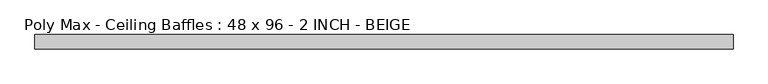
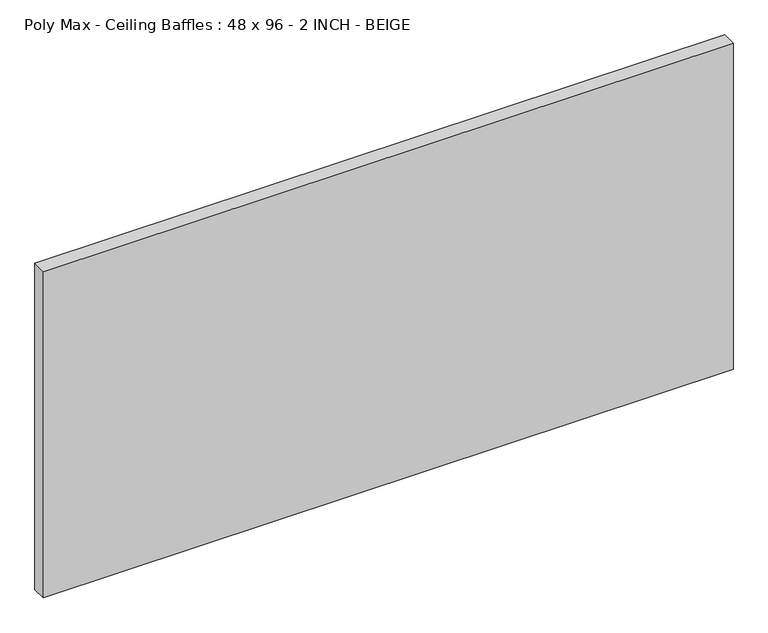
"""IFC4 building model written with IfcOpenShell, lengths in millimetres: proxy geometry, Poly Max - Ceiling Baffles : 48 x 96 - 2 INCH - BEIGE."""

from ifc_helpers import new_model, si_unit, origin, origin_with_axes, place, context, project, spatial, polyline, outline, extrude, source, transform, mapped, element, save


def poly_max_ceiling_baffles_48_x_96_2_inch_beige_1d8b9ca3(model_context):
    return source(origin(), model_context, "Body", "SweptSolid", [
        extrude(outline(polyline([(1219.2, -50.8), (-1219.2, -50.8), (-1219.2, 0.0), (1219.2, 0.0), (1219.2, -50.8)])), origin_with_axes(), (0.0, 0.0, 1.0), 1219.2),
    ])


if __name__ == "__main__":
    model = new_model("IFC4")
    model_context = context("Model", 3, world=origin())
    ifc_project = project(units=[si_unit("LENGTHUNIT", "METRE", prefix="MILLI")], contexts=[model_context])
    site = spatial("IfcSite", under=ifc_project)
    building = spatial("IfcBuilding", under=site)
    placement = place(None, origin())
    poly_max_ceiling_baffles_48_x_96_2_inch_beige_shape = poly_max_ceiling_baffles_48_x_96_2_inch_beige_1d8b9ca3(model_context)
    element("IfcBuildingElementProxy", 1, Name="Poly Max - Ceiling Baffles : 48 x 96 - 2 INCH - BEIGE", ObjectType="Poly Max - Ceiling Baffles : 48 x 96 - 2 INCH - BEIGE", at=placement, inside=building, context=model_context, shape_type="MappedRepresentation", body=[
        mapped(poly_max_ceiling_baffles_48_x_96_2_inch_beige_shape, transform((0.0, 0.0, 0.0), x_axis=(1.0, 0.0, 0.0), y_axis=(0.0, 1.0, 0.0), z_axis=(0.0, 0.0, 1.0))),
    ])
    save(model, "model.ifc")
